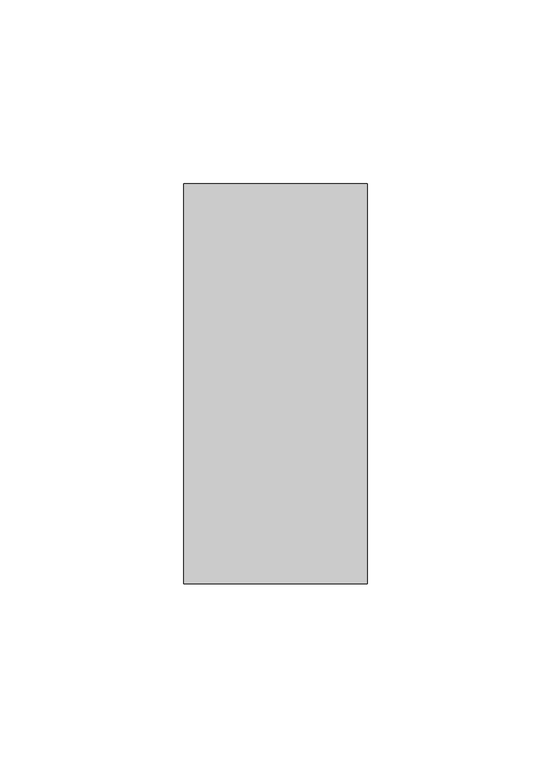
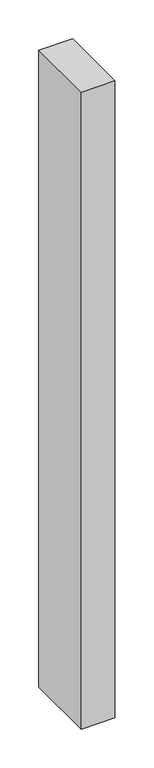
"""IFC4 building model written with IfcOpenShell, lengths in millimetres: member geometry."""

from ifc_helpers import new_model, si_unit, frame, origin, place, context, project, spatial, polyline, outline, extrude, source, transform, mapped, element, save


def member_90aaafd8(model_context):
    return source(origin(), model_context, "Body", "SweptSolid", [
        extrude(outline(polyline([(-50.0, -18.0), (-50.0, 91.0), (0.0, 91.0), (0.0, -18.0), (-50.0, -18.0)])), frame((0.0, 0.0, -999.9999997), z_axis=(0.0, 0.0, 1.0), x_axis=(1.0, 0.0, 0.0)), (0.0, 0.0, 1.0), 999.9999997),
    ])


if __name__ == "__main__":
    model = new_model("IFC4")
    model_context = context("Model", 3, world=origin())
    ifc_project = project(units=[si_unit("LENGTHUNIT", "METRE", prefix="MILLI")], contexts=[model_context])
    site = spatial("IfcSite", under=ifc_project)
    building = spatial("IfcBuilding", under=site)
    placement = place(None, origin())
    member_shape = member_90aaafd8(model_context)
    element("IfcMember", 1, at=placement, inside=building, context=model_context, shape_type="MappedRepresentation", body=[
        mapped(member_shape, transform((0.0, 0.0, 0.0), x_axis=(1.0, 0.0, 0.0), y_axis=(0.0, 1.0, 0.0), z_axis=(0.0, 0.0, 1.0))),
    ])
    save(model, "model.ifc")
